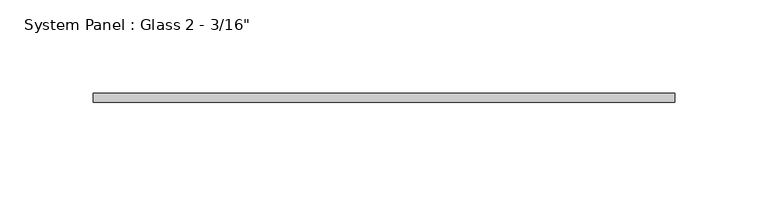
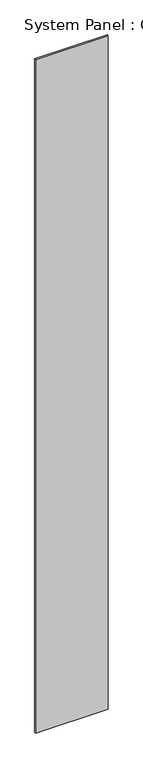
"""IFC4 building model written with IfcOpenShell, lengths in millimetres: plate geometry."""

from ifc_helpers import new_model, si_unit, origin, origin_with_axes, place, context, project, spatial, polyline, outline, extrude, source, transform, mapped, element, save


def plate_e31f9bc1(model_context):
    return source(origin(), model_context, "Body", "SweptSolid", [
        extrude(outline(polyline([(155.575, -11.1125), (-155.575, -11.1125), (-155.575, -6.35), (155.575, -6.35), (155.575, -11.1125)])), origin_with_axes(), (0.0, 0.0, 1.0), 3048.0),
    ])


if __name__ == "__main__":
    model = new_model("IFC4")
    model_context = context("Model", 3, world=origin())
    ifc_project = project(units=[si_unit("LENGTHUNIT", "METRE", prefix="MILLI")], contexts=[model_context])
    site = spatial("IfcSite", under=ifc_project)
    building = spatial("IfcBuilding", under=site)
    placement = place(None, origin())
    plate_shape = plate_e31f9bc1(model_context)
    element("IfcPlate", 1, ObjectType="System Panel : Glass 2 - 3/16\"", at=placement, inside=building, context=model_context, shape_type="MappedRepresentation", body=[
        mapped(plate_shape, transform((0.0, 0.0, 0.0), x_axis=(1.0, 0.0, 0.0), y_axis=(0.0, 1.0, 0.0), z_axis=(0.0, 0.0, 1.0))),
    ])
    save(model, "model.ifc")
